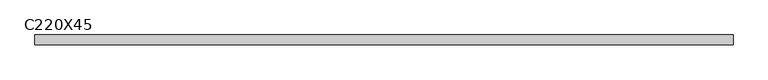
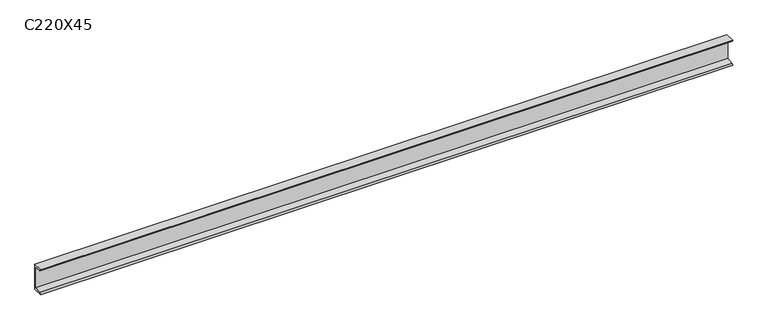
"""IFC4 building model written with IfcOpenShell, lengths in millimetres: beam geometry, C220X45."""

from ifc_helpers import new_model, si_unit, point, frame, frame_2d, origin, place, context, project, spatial, polyline, circle_curve, trimmed, segment, composite_curve, outline, extrude, source, transform, mapped, element, save


def c220x45_080ee8f4(model_context):
    return source(origin(), model_context, "Body", "SweptSolid", [
        extrude(outline(composite_curve([segment(polyline([(17.0, 110.0), (17.0, -110.0), (-64.0, -110.0)]), True, "CONTINUOUS"), segment(trimmed(circle_curve(frame_2d((-51.0, -110.0)), 13.0), [point((-64.0, -110.0))], [point((-51.0, -97.0))], False, "CARTESIAN"), True, "CONTINUOUS"), segment(polyline([(-51.0, -97.0), (4.0, -88.2888558), (4.0, 88.2888558), (-51.0, 97.0)]), True, "CONTINUOUS"), segment(trimmed(circle_curve(frame_2d((-51.0, 110.0)), 13.0), [point((-51.0, 97.0))], [point((-64.0, 110.0))], False, "CARTESIAN"), True, "CONTINUOUS"), segment(polyline([(-64.0, 110.0), (17.0, 110.0)]), True, "CONTINUOUS")], self_intersect=False)), frame((-2920.2728284, 0.0, 0.0), z_axis=(1.0, 0.0, 0.0), x_axis=(0.0, 1.0, 0.0)), (0.0, 0.0, 1.0), 5775.2728284),
    ])


if __name__ == "__main__":
    model = new_model("IFC4")
    model_context = context("Model", 3, world=origin())
    ifc_project = project(units=[si_unit("LENGTHUNIT", "METRE", prefix="MILLI")], contexts=[model_context])
    site = spatial("IfcSite", under=ifc_project)
    building = spatial("IfcBuilding", under=site)
    placement = place(None, origin())
    c220x45_shape = c220x45_080ee8f4(model_context)
    element("IfcBeam", 1, ObjectType="C220X45", at=placement, inside=building, context=model_context, shape_type="MappedRepresentation", body=[
        mapped(c220x45_shape, transform((0.0, 0.0, 0.0), x_axis=(1.0, 0.0, 0.0), y_axis=(0.0, 1.0, 0.0), z_axis=(0.0, 0.0, 1.0))),
    ])
    save(model, "model.ifc")
